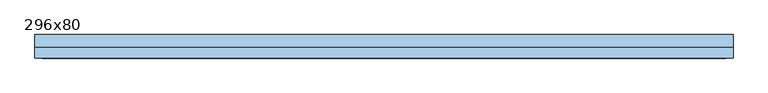
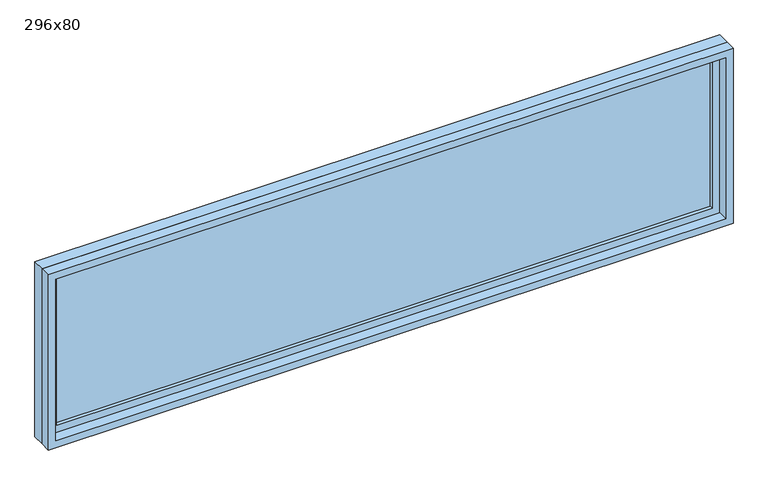
"""IFC4 building model written with IfcOpenShell, lengths in millimetres: window geometry, 296x80."""

from ifc_helpers import new_model, si_unit, frame, origin, place, context, project, spatial, polyline, outline, extrude, source, transform, mapped, element, save


def window_296x80_7d1818a1(model_context):
    return source(origin(), model_context, "Body", "SweptSolid", [
        extrude(outline(polyline([(1378.4, 11.425), (-1454.6, 11.425), (-1454.6, 24.125), (1378.4, 24.125), (1378.4, 11.425)])), frame((0.0, 0.0, 977.9), z_axis=(0.0, 0.0, 1.0), x_axis=(1.0, 0.0, 0.0)), (0.0, 0.0, 1.0), 673.0),
        extrude(outline(polyline([(1695.35, -1499.05), (933.45, -1499.05), (933.45, 1422.85), (1695.35, 1422.85), (1695.35, -1499.05)]), holes=[polyline([(1650.9, -1454.6), (1650.9, 1378.4), (977.9, 1378.4), (977.9, -1454.6), (1650.9, -1454.6)])]), frame((0.0, -4.45, 0.0), z_axis=(0.0, 1.0, 0.0), x_axis=(0.0, 0.0, 1.0)), (0.0, 0.0, 1.0), 44.45),
        extrude(outline(polyline([(1714.4, -1518.1), (914.4, -1518.1), (914.4, 1441.9), (1714.4, 1441.9), (1714.4, -1518.1)]), holes=[polyline([(1682.65, -1486.35), (1682.65, 1410.15), (946.15, 1410.15), (946.15, -1486.35), (1682.65, -1486.35)])]), frame((0.0, -50.0, 0.0), z_axis=(0.0, 1.0, 0.0), x_axis=(0.0, 0.0, 1.0)), (0.0, 0.0, 1.0), 45.55),
        extrude(outline(polyline([(1714.4, 1441.9), (1714.4, -1518.1), (914.4, -1518.1), (914.4, 1441.9), (1714.4, 1441.9)]), holes=[polyline([(1695.35, 1422.85), (933.45, 1422.85), (933.45, -1499.05), (1695.35, -1499.05), (1695.35, 1422.85)])]), frame((0.0, -4.45, 0.0), z_axis=(0.0, 1.0, 0.0), x_axis=(0.0, 0.0, 1.0)), (0.0, 0.0, 1.0), 54.45),
    ])


if __name__ == "__main__":
    model = new_model("IFC4")
    model_context = context("Model", 3, world=origin())
    ifc_project = project(units=[si_unit("LENGTHUNIT", "METRE", prefix="MILLI")], contexts=[model_context])
    site = spatial("IfcSite", under=ifc_project)
    building = spatial("IfcBuilding", under=site)
    placement = place(None, origin())
    window_296x80_shape = window_296x80_7d1818a1(model_context)
    element("IfcWindow", 1, ObjectType="296x80", at=placement, inside=building, context=model_context, shape_type="MappedRepresentation", body=[
        mapped(window_296x80_shape, transform((0.0, 0.0, 0.0), x_axis=(1.0, 0.0, 0.0), y_axis=(0.0, 1.0, 0.0), z_axis=(0.0, 0.0, 1.0))),
    ])
    save(model, "model.ifc")
